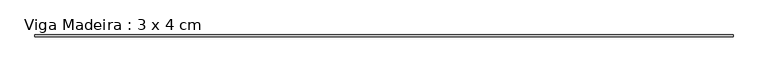
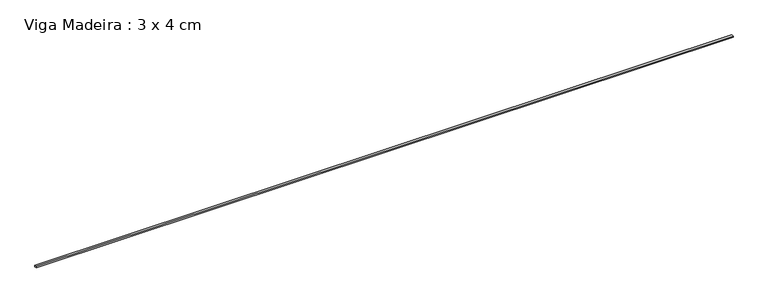
"""IFC4 building model written with IfcOpenShell, lengths in millimetres: beam geometry, Viga Madeira : 3 x 4 cm."""

from ifc_helpers import new_model, si_unit, frame, origin, place, context, project, spatial, polyline, outline, extrude, source, transform, mapped, element, save


def viga_madeira_3_x_4_cm_91f323c7(model_context):
    return source(origin(), model_context, "Body", "SweptSolid", [
        extrude(outline(polyline([(6953.3440575, 20.0), (6953.3440575, -20.0), (-6953.3440575, -20.0), (-6953.3440575, 20.0), (6953.3440575, 20.0)])), frame((0.0, 0.0, -15.0), z_axis=(0.0, 0.0, 1.0), x_axis=(1.0, 0.0, 0.0)), (0.0, 0.0, 1.0), 30.0),
    ])


if __name__ == "__main__":
    model = new_model("IFC4")
    model_context = context("Model", 3, world=origin())
    ifc_project = project(units=[si_unit("LENGTHUNIT", "METRE", prefix="MILLI")], contexts=[model_context])
    site = spatial("IfcSite", under=ifc_project)
    building = spatial("IfcBuilding", under=site)
    placement = place(None, origin())
    viga_madeira_3_x_4_cm_shape = viga_madeira_3_x_4_cm_91f323c7(model_context)
    element("IfcBeam", 1, ObjectType="Viga Madeira : 3 x 4 cm", at=placement, inside=building, context=model_context, shape_type="MappedRepresentation", body=[
        mapped(viga_madeira_3_x_4_cm_shape, transform((0.0, 0.0, 0.0), x_axis=(1.0, 0.0, 0.0), y_axis=(0.0, 1.0, 0.0), z_axis=(0.0, 0.0, 1.0))),
    ])
    save(model, "model.ifc")
